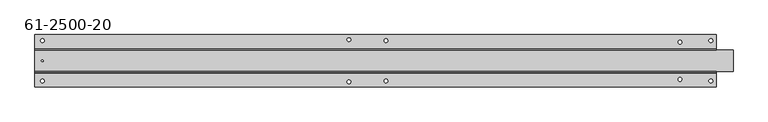
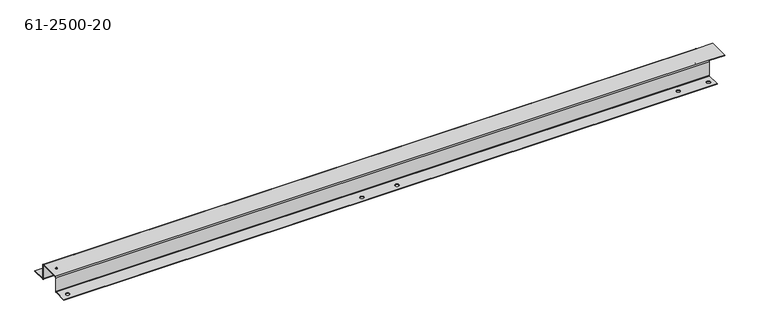
"""IFC4 building model written with IfcOpenShell, lengths in millimetres: proxy geometry, 61-2500-20."""

from ifc_helpers import new_model, si_unit, frame, origin, place, context, project, spatial, polyline, circle_curve, source, transform, mapped, element, save
from ifc_brep_helpers import plane_surface, cylinder_surface, revolved_surface, advanced_brep


def proxy_61_2500_20_4e382f12(model_context):
    return source(origin(), model_context, "Body", "AdvancedBrep", [
        advanced_brep(
        [(-21.8719315, 22.6584014, 27.94), (-21.8719315, 22.6584014, 28.79344), (-24.9199315, 22.6584014, 28.79344), (-24.9199315, 22.6584014, 27.94), (-20.2209315, 57.2836814, 0.0), (-20.2209315, 57.2836814, 0.85344), (-26.5709315, 57.2836814, 0.85344), (-26.5709315, 57.2836814, 0.0), (503.8826685, 58.8584814, 0.0), (503.8826685, 58.8584814, 0.85344), (497.5326685, 58.8584814, 0.85344), (497.5326685, 58.8584814, 0.0), (567.1540685, 57.2836814, 0.0), (567.1540685, 57.2836814, 0.85344), (560.8040685, 57.2836814, 0.85344), (560.8040685, 57.2836814, 0.0), (1070.0740685, 54.6420814, 0.0), (1070.0740685, 54.6420814, 0.85344), (1063.7240685, 54.6420814, 0.85344), (1063.7240685, 54.6420814, 0.0), (1122.7790685, 57.2836814, 0.0), (1122.7790685, 57.2836814, 0.85344), (1116.4290685, 57.2836814, 0.85344), (1116.4290685, 57.2836814, 0.0), (-20.2209315, -11.9668786, 0.0), (-20.2209315, -11.9668786, 0.85344), (-26.5709315, -11.9668786, 0.85344), (-26.5709315, -11.9668786, 0.0), (503.8826685, -13.5416786, 0.0), (503.8826685, -13.5416786, 0.85344), (497.5326685, -13.5416786, 0.85344), (497.5326685, -13.5416786, 0.0), (567.1540685, -11.9668786, 0.0), (567.1540685, -11.9668786, 0.85344), (560.8040685, -11.9668786, 0.85344), (560.8040685, -11.9668786, 0.0), (1070.0740685, -9.3252786, 0.0), (1070.0740685, -9.3252786, 0.85344), (1063.7240685, -9.3252786, 0.85344), (1063.7240685, -9.3252786, 0.0), (1122.7790685, -11.9668786, 0.0), (1122.7790685, -11.9668786, 0.85344), (1116.4290685, -11.9668786, 0.85344), (1116.4290685, -11.9668786, 0.0), (1157.7040685, 4.2535614, 27.94), (1157.7040685, 4.2535614, 28.79344), (1129.1290685, 4.2535614, 28.79344), (1129.1290685, 4.2535614, 27.94), (1157.7040685, 41.0632414, 28.79344), (1157.7040685, 41.0632414, 27.94), (1129.1290685, 41.0632414, 27.94), (1129.1290685, 41.0632414, 28.79344), (-36.0959315, 43.6235614, 0.0), (1129.1290685, 43.6235614, 0.0), (1129.1290685, 41.9166814, 1.70688), (-36.0959315, 41.9166814, 1.70688), (-36.0959315, 43.6235614, 0.85344), (-36.0959315, 67.3166814, 0.85344), (-36.0959315, 67.3166814, 0.0), (1129.1290685, 43.6235614, 0.85344), (1129.1290685, 67.3166814, 0.85344), (1129.1290685, 42.7701214, 1.70688), (-36.0959315, 42.7701214, 1.70688), (1129.1290685, 67.3166814, 0.0), (-36.0959315, 41.9166814, 27.08656), (-36.0959315, 42.7701214, 27.08656), (1129.1290685, 41.9166814, 27.08656), (1129.1290685, 42.7701214, 27.08656), (-36.0959315, 41.0632414, 28.79344), (-36.0959315, 41.0632414, 27.94), (-36.0959315, 4.2535614, 27.94), (-36.0959315, 4.2535614, 28.79344), (-36.0959315, 2.5466814, 27.08656), (1129.1290685, 2.5466814, 27.08656), (-36.0959315, 3.4001214, 27.08656), (1129.1290685, 3.4001214, 27.08656), (1129.1290685, 2.5466814, 1.70688), (1129.1290685, 3.4001214, 1.70688), (-36.0959315, 2.5466814, 1.70688), (-36.0959315, 3.4001214, 1.70688), (1129.1290685, 1.6932414, 0.0), (-36.0959315, 1.6932414, 0.0), (1129.1290685, 1.6932414, 0.85344), (-36.0959315, 1.6932414, 0.85344), (-36.0959315, -21.9998786, 0.0), (-36.0959315, -21.9998786, 0.85344), (1129.1290685, -21.9998786, 0.0), (1129.1290685, -21.9998786, 0.85344)],
        [
            (0, 1),
            (1, 2, circle_curve(frame((-23.3959315, 22.6584014, 28.79344), z_axis=(0.0, 0.0, 1.0), x_axis=(1.0, 0.0, 0.0)), 1.524)),
            (2, 3),
            (3, 0, circle_curve(frame((-23.3959315, 22.6584014, 27.94), z_axis=(0.0, 0.0, -1.0), x_axis=(1.0, 0.0, 0.0)), 1.524)),
            (4, 5),
            (5, 6, circle_curve(frame((-23.3959315, 57.2836814, 0.85344), z_axis=(0.0, 0.0, 1.0), x_axis=(1.0, 0.0, 0.0)), 3.175)),
            (6, 7),
            (7, 4, circle_curve(frame((-23.3959315, 57.2836814, 0.0), z_axis=(0.0, 0.0, -1.0), x_axis=(1.0, 0.0, 0.0)), 3.175)),
            (8, 9),
            (9, 10, circle_curve(frame((500.7076685, 58.8584814, 0.85344), z_axis=(0.0, 0.0, 1.0), x_axis=(1.0, 0.0, 0.0)), 3.175)),
            (10, 11),
            (11, 8, circle_curve(frame((500.7076685, 58.8584814, 0.0), z_axis=(0.0, 0.0, -1.0), x_axis=(1.0, 0.0, 0.0)), 3.175)),
            (12, 13),
            (13, 14, circle_curve(frame((563.9790685, 57.2836814, 0.85344), z_axis=(0.0, 0.0, 1.0), x_axis=(1.0, 0.0, 0.0)), 3.175)),
            (14, 15),
            (15, 12, circle_curve(frame((563.9790685, 57.2836814, 0.0), z_axis=(0.0, 0.0, -1.0), x_axis=(1.0, 0.0, 0.0)), 3.175)),
            (16, 17),
            (17, 18, circle_curve(frame((1066.8990685, 54.6420814, 0.85344), z_axis=(0.0, 0.0, 1.0), x_axis=(1.0, 0.0, 0.0)), 3.175)),
            (18, 19),
            (19, 16, circle_curve(frame((1066.8990685, 54.6420814, 0.0), z_axis=(0.0, 0.0, -1.0), x_axis=(1.0, 0.0, 0.0)), 3.175)),
            (20, 21),
            (21, 22, circle_curve(frame((1119.6040685, 57.2836814, 0.85344), z_axis=(0.0, 0.0, 1.0), x_axis=(1.0, 0.0, 0.0)), 3.175)),
            (22, 23),
            (23, 20, circle_curve(frame((1119.6040685, 57.2836814, 0.0), z_axis=(0.0, 0.0, -1.0), x_axis=(1.0, 0.0, 0.0)), 3.175)),
            (24, 25),
            (25, 26, circle_curve(frame((-23.3959315, -11.9668786, 0.85344), z_axis=(0.0, 0.0, 1.0), x_axis=(1.0, 0.0, 0.0)), 3.175)),
            (26, 27),
            (27, 24, circle_curve(frame((-23.3959315, -11.9668786, 0.0), z_axis=(0.0, 0.0, -1.0), x_axis=(1.0, 0.0, 0.0)), 3.175)),
            (28, 29),
            (29, 30, circle_curve(frame((500.7076685, -13.5416786, 0.85344), z_axis=(0.0, 0.0, 1.0), x_axis=(1.0, 0.0, 0.0)), 3.175)),
            (30, 31),
            (31, 28, circle_curve(frame((500.7076685, -13.5416786, 0.0), z_axis=(0.0, 0.0, -1.0), x_axis=(1.0, 0.0, 0.0)), 3.175)),
            (32, 33),
            (33, 34, circle_curve(frame((563.9790685, -11.9668786, 0.85344), z_axis=(0.0, 0.0, 1.0), x_axis=(1.0, 0.0, 0.0)), 3.175)),
            (34, 35),
            (35, 32, circle_curve(frame((563.9790685, -11.9668786, 0.0), z_axis=(0.0, 0.0, -1.0), x_axis=(1.0, 0.0, 0.0)), 3.175)),
            (36, 37),
            (37, 38, circle_curve(frame((1066.8990685, -9.3252786, 0.85344), z_axis=(0.0, 0.0, 1.0), x_axis=(1.0, 0.0, 0.0)), 3.175)),
            (38, 39),
            (39, 36, circle_curve(frame((1066.8990685, -9.3252786, 0.0), z_axis=(0.0, 0.0, -1.0), x_axis=(1.0, 0.0, 0.0)), 3.175)),
            (40, 41),
            (41, 42, circle_curve(frame((1119.6040685, -11.9668786, 0.85344), z_axis=(0.0, 0.0, 1.0), x_axis=(1.0, 0.0, 0.0)), 3.175)),
            (42, 43),
            (43, 40, circle_curve(frame((1119.6040685, -11.9668786, 0.0), z_axis=(0.0, 0.0, -1.0), x_axis=(1.0, 0.0, 0.0)), 3.175)),
            (40, 43, circle_curve(frame((1119.6040685, -11.9668786, 0.0), z_axis=(0.0, 0.0, -1.0), x_axis=(1.0, 0.0, 0.0)), 3.175)),
            (42, 41, circle_curve(frame((1119.6040685, -11.9668786, 0.85344), z_axis=(0.0, 0.0, 1.0), x_axis=(1.0, 0.0, 0.0)), 3.175)),
            (36, 39, circle_curve(frame((1066.8990685, -9.3252786, 0.0), z_axis=(0.0, 0.0, -1.0), x_axis=(1.0, 0.0, 0.0)), 3.175)),
            (38, 37, circle_curve(frame((1066.8990685, -9.3252786, 0.85344), z_axis=(0.0, 0.0, 1.0), x_axis=(1.0, 0.0, 0.0)), 3.175)),
            (32, 35, circle_curve(frame((563.9790685, -11.9668786, 0.0), z_axis=(0.0, 0.0, -1.0), x_axis=(1.0, 0.0, 0.0)), 3.175)),
            (34, 33, circle_curve(frame((563.9790685, -11.9668786, 0.85344), z_axis=(0.0, 0.0, 1.0), x_axis=(1.0, 0.0, 0.0)), 3.175)),
            (28, 31, circle_curve(frame((500.7076685, -13.5416786, 0.0), z_axis=(0.0, 0.0, -1.0), x_axis=(1.0, 0.0, 0.0)), 3.175)),
            (30, 29, circle_curve(frame((500.7076685, -13.5416786, 0.85344), z_axis=(0.0, 0.0, 1.0), x_axis=(1.0, 0.0, 0.0)), 3.175)),
            (24, 27, circle_curve(frame((-23.3959315, -11.9668786, 0.0), z_axis=(0.0, 0.0, -1.0), x_axis=(1.0, 0.0, 0.0)), 3.175)),
            (26, 25, circle_curve(frame((-23.3959315, -11.9668786, 0.85344), z_axis=(0.0, 0.0, 1.0), x_axis=(1.0, 0.0, 0.0)), 3.175)),
            (20, 23, circle_curve(frame((1119.6040685, 57.2836814, 0.0), z_axis=(0.0, 0.0, -1.0), x_axis=(1.0, 0.0, 0.0)), 3.175)),
            (22, 21, circle_curve(frame((1119.6040685, 57.2836814, 0.85344), z_axis=(0.0, 0.0, 1.0), x_axis=(1.0, 0.0, 0.0)), 3.175)),
            (16, 19, circle_curve(frame((1066.8990685, 54.6420814, 0.0), z_axis=(0.0, 0.0, -1.0), x_axis=(1.0, 0.0, 0.0)), 3.175)),
            (18, 17, circle_curve(frame((1066.8990685, 54.6420814, 0.85344), z_axis=(0.0, 0.0, 1.0), x_axis=(1.0, 0.0, 0.0)), 3.175)),
            (12, 15, circle_curve(frame((563.9790685, 57.2836814, 0.0), z_axis=(0.0, 0.0, -1.0), x_axis=(1.0, 0.0, 0.0)), 3.175)),
            (14, 13, circle_curve(frame((563.9790685, 57.2836814, 0.85344), z_axis=(0.0, 0.0, 1.0), x_axis=(1.0, 0.0, 0.0)), 3.175)),
            (8, 11, circle_curve(frame((500.7076685, 58.8584814, 0.0), z_axis=(0.0, 0.0, -1.0), x_axis=(1.0, 0.0, 0.0)), 3.175)),
            (10, 9, circle_curve(frame((500.7076685, 58.8584814, 0.85344), z_axis=(0.0, 0.0, 1.0), x_axis=(1.0, 0.0, 0.0)), 3.175)),
            (4, 7, circle_curve(frame((-23.3959315, 57.2836814, 0.0), z_axis=(0.0, 0.0, -1.0), x_axis=(1.0, 0.0, 0.0)), 3.175)),
            (6, 5, circle_curve(frame((-23.3959315, 57.2836814, 0.85344), z_axis=(0.0, 0.0, 1.0), x_axis=(1.0, 0.0, 0.0)), 3.175)),
            (0, 3, circle_curve(frame((-23.3959315, 22.6584014, 27.94), z_axis=(0.0, 0.0, -1.0), x_axis=(1.0, 0.0, 0.0)), 1.524)),
            (2, 1, circle_curve(frame((-23.3959315, 22.6584014, 28.79344), z_axis=(0.0, 0.0, 1.0), x_axis=(1.0, 0.0, 0.0)), 1.524)),
            (44, 45),
            (45, 46),
            (46, 47),
            (47, 44),
            (48, 49),
            (49, 50),
            (50, 51),
            (51, 48),
            (44, 49),
            (48, 45),
            (52, 53),
            (53, 54, circle_curve(frame((1129.1290685, 43.6235614, 1.70688), z_axis=(-1.0, 0.0, 0.0), x_axis=(0.0, -1.0, 0.0)), 1.70688)),
            (54, 55),
            (55, 52, circle_curve(frame((-36.0959315, 43.6235614, 1.70688), z_axis=(1.0, 0.0, 0.0), x_axis=(0.0, -1.0, 0.0)), 1.70688)),
            (52, 56),
            (56, 57),
            (57, 58),
            (58, 52),
            (56, 59),
            (59, 60),
            (60, 57),
            (53, 59),
            (59, 61, circle_curve(frame((1129.1290685, 43.6235614, 1.70688), z_axis=(-1.0, 0.0, 0.0), x_axis=(0.0, -1.0, 0.0)), 0.85344)),
            (61, 54),
            (55, 62),
            (62, 56, circle_curve(frame((-36.0959315, 43.6235614, 1.70688), z_axis=(1.0, 0.0, 0.0), x_axis=(0.0, -1.0, 0.0)), 0.85344)),
            (53, 63),
            (63, 60),
            (63, 58),
            (62, 61),
            (55, 64),
            (64, 65),
            (65, 62),
            (54, 66),
            (66, 64),
            (67, 65),
            (65, 68, circle_curve(frame((-36.0959315, 41.0632414, 27.08656), z_axis=(1.0, 0.0, 0.0), x_axis=(0.0, 0.0, 1.0)), 1.70688)),
            (68, 51),
            (51, 67, circle_curve(frame((1129.1290685, 41.0632414, 27.08656), z_axis=(-1.0, 0.0, 0.0), x_axis=(0.0, 0.0, 1.0)), 1.70688)),
            (61, 67),
            (67, 66),
            (64, 69, circle_curve(frame((-36.0959315, 41.0632414, 27.08656), z_axis=(1.0, 0.0, 0.0), x_axis=(0.0, 0.0, 1.0)), 0.85344)),
            (69, 68),
            (50, 66, circle_curve(frame((1129.1290685, 41.0632414, 27.08656), z_axis=(-1.0, 0.0, 0.0), x_axis=(0.0, 0.0, 1.0)), 0.85344)),
            (50, 69),
            (69, 70),
            (70, 71),
            (71, 68),
            (47, 70),
            (46, 71),
            (71, 72, circle_curve(frame((-36.0959315, 4.2535614, 27.08656), z_axis=(1.0, 0.0, 0.0), x_axis=(0.0, -1.0, 0.0)), 1.70688)),
            (72, 73),
            (73, 46, circle_curve(frame((1129.1290685, 4.2535614, 27.08656), z_axis=(-1.0, 0.0, 0.0), x_axis=(0.0, -1.0, 0.0)), 1.70688)),
            (70, 74, circle_curve(frame((-36.0959315, 4.2535614, 27.08656), z_axis=(1.0, 0.0, 0.0), x_axis=(0.0, -1.0, 0.0)), 0.85344)),
            (74, 72),
            (73, 75),
            (75, 47, circle_curve(frame((1129.1290685, 4.2535614, 27.08656), z_axis=(-1.0, 0.0, 0.0), x_axis=(0.0, -1.0, 0.0)), 0.85344)),
            (75, 74),
            (73, 76),
            (76, 77),
            (77, 75),
            (72, 78),
            (78, 76),
            (79, 77),
            (77, 80, circle_curve(frame((1129.1290685, 1.6932414, 1.70688), z_axis=(-1.0, 0.0, 0.0), x_axis=(0.0, 0.0, -1.0)), 1.70688)),
            (80, 81),
            (81, 79, circle_curve(frame((-36.0959315, 1.6932414, 1.70688), z_axis=(1.0, 0.0, 0.0), x_axis=(0.0, 0.0, -1.0)), 1.70688)),
            (74, 79),
            (79, 78),
            (76, 82, circle_curve(frame((1129.1290685, 1.6932414, 1.70688), z_axis=(-1.0, 0.0, 0.0), x_axis=(0.0, 0.0, -1.0)), 0.85344)),
            (82, 80),
            (81, 83),
            (83, 78, circle_curve(frame((-36.0959315, 1.6932414, 1.70688), z_axis=(1.0, 0.0, 0.0), x_axis=(0.0, 0.0, -1.0)), 0.85344)),
            (83, 82),
            (81, 84),
            (84, 85),
            (85, 83),
            (80, 86),
            (86, 84),
            (82, 87),
            (87, 86),
            (87, 85),
        ],
        [
            revolved_surface(polyline([(-21.8719315, 22.6584014, 28.79344), (-21.8719315, 22.6584014, 27.94)]), (-23.3959315, 22.6584014, 28.36672), (0.0, 0.0, 1.0)),
            revolved_surface(polyline([(-20.2209315, 57.2836814, 0.85344), (-20.2209315, 57.2836814, 0.0)]), (-23.3959315, 57.2836814, 0.42672), (0.0, 0.0, 1.0)),
            revolved_surface(polyline([(503.8826685, 58.8584814, 0.85344), (503.8826685, 58.8584814, 0.0)]), (500.7076685, 58.8584814, 0.42672), (0.0, 0.0, 1.0)),
            revolved_surface(polyline([(567.1540685, 57.2836814, 0.85344), (567.1540685, 57.2836814, 0.0)]), (563.9790685, 57.2836814, 0.42672), (0.0, 0.0, 1.0)),
            revolved_surface(polyline([(1070.0740685, 54.6420814, 0.85344), (1070.0740685, 54.6420814, 0.0)]), (1066.8990685, 54.6420814, 0.42672), (0.0, 0.0, 1.0)),
            revolved_surface(polyline([(1122.7790685, 57.2836814, 0.85344), (1122.7790685, 57.2836814, 0.0)]), (1119.6040685, 57.2836814, 0.42672), (0.0, 0.0, 1.0)),
            revolved_surface(polyline([(-20.2209315, -11.9668786, 0.85344), (-20.2209315, -11.9668786, 0.0)]), (-23.3959315, -11.9668786, 0.42672), (0.0, 0.0, 1.0)),
            revolved_surface(polyline([(503.8826685, -13.5416786, 0.85344), (503.8826685, -13.5416786, 0.0)]), (500.7076685, -13.5416786, 0.42672), (0.0, 0.0, 1.0)),
            revolved_surface(polyline([(567.1540685, -11.9668786, 0.85344), (567.1540685, -11.9668786, 0.0)]), (563.9790685, -11.9668786, 0.42672), (0.0, 0.0, 1.0)),
            revolved_surface(polyline([(1070.0740685, -9.3252786, 0.85344), (1070.0740685, -9.3252786, 0.0)]), (1066.8990685, -9.3252786, 0.42672), (0.0, 0.0, 1.0)),
            revolved_surface(polyline([(1122.7790685, -11.9668786, 0.85344), (1122.7790685, -11.9668786, 0.0)]), (1119.6040685, -11.9668786, 0.42672), (0.0, 0.0, 1.0)),
            plane_surface(frame((1129.1290685, 4.2535614, 27.94), z_axis=(0.0, -1.0, 0.0), x_axis=(0.0, 0.0, -1.0))),
            plane_surface(frame((1129.1290685, 41.0632414, 28.79344), z_axis=(0.0, 1.0, 0.0), x_axis=(0.0, 0.0, 1.0))),
            plane_surface(frame((1157.7040685, 22.6584014, 28.36672), z_axis=(1.0, 0.0, 0.0), x_axis=(0.0, 0.0, -1.0))),
            cylinder_surface(frame((546.5165685, 43.6235614, 1.70688), z_axis=(1.0, 0.0, 0.0), x_axis=(0.0, -1.0, 0.0)), 1.70688),
            plane_surface(frame((-36.0959315, 43.6235614, 0.85344), z_axis=(-1.0, 0.0, 0.0), x_axis=(0.0, -1.0, 0.0))),
            plane_surface(frame((546.5165685, 54.5049035, 0.85344), z_axis=(0.0, 0.0, 1.0), x_axis=(0.0, -1.0, 0.0))),
            plane_surface(frame((1129.1290685, 43.6235614, 0.85344), z_axis=(1.0, 0.0, 0.0), x_axis=(0.0, 0.0, -1.0))),
            plane_surface(frame((-36.0959315, 43.6235614, 0.0), z_axis=(-1.0, 0.0, 0.0), x_axis=(0.0, 0.0, 1.0))),
            plane_surface(frame((1129.1290685, 43.6235614, 0.85344), z_axis=(1.0, 0.0, 0.0), x_axis=(0.0, 1.0, 0.0))),
            plane_surface(frame((1129.1290685, 67.3166814, 0.85344), z_axis=(0.0, 1.0, 0.0), x_axis=(-1.0, 0.0, 0.0))),
            plane_surface(frame((546.5165685, 54.5049035, 0.0), z_axis=(0.0, 0.0, -1.0), x_axis=(0.0, -1.0, 0.0))),
            revolved_surface(polyline([(1129.1290685, 42.7701214, 1.70688), (-36.095931500000006, 42.7701214, 1.70688)]), (546.5165685, 43.6235614, 1.70688), (1.0, 0.0, 0.0)),
            plane_surface(frame((-36.0959315, 41.9166814, 27.08656), z_axis=(-1.0, 0.0, 0.0), x_axis=(0.0, 1.0, 0.0))),
            plane_surface(frame((546.5165685, 41.9166814, 14.9352179), z_axis=(0.0, -1.0, 0.0), x_axis=(1.0, 0.0, 0.0))),
            cylinder_surface(frame((546.5165685, 41.0632414, 27.08656), z_axis=(-1.0, 0.0, 0.0), x_axis=(0.0, 0.0, 1.0)), 1.70688),
            plane_surface(frame((1129.1290685, 41.9166814, 27.08656), z_axis=(1.0, 0.0, 0.0), x_axis=(0.0, -1.0, 0.0))),
            plane_surface(frame((-36.0959315, 41.9166814, 27.08656), z_axis=(-1.0, 0.0, 0.0), x_axis=(0.0, 0.0, 1.0))),
            plane_surface(frame((1129.1290685, 42.7701214, 27.08656), z_axis=(1.0, 0.0, 0.0), x_axis=(0.0, 0.0, -1.0))),
            plane_surface(frame((546.5165685, 42.7701214, 14.9352179), z_axis=(0.0, 1.0, 0.0), x_axis=(1.0, 0.0, 0.0))),
            revolved_surface(polyline([(-36.095931500000006, 41.0632414, 27.939999999999998), (1129.1290685, 41.0632414, 27.939999999999998)]), (546.5165685, 41.0632414, 27.08656), (-1.0, 0.0, 0.0)),
            plane_surface(frame((-36.0959315, 4.2535614, 27.94), z_axis=(-1.0, 0.0, 0.0), x_axis=(0.0, 1.0, 0.0))),
            plane_surface(frame((546.5165685, 22.1199035, 27.94), z_axis=(0.0, 0.0, -1.0), x_axis=(0.0, 1.0, 0.0))),
            cylinder_surface(frame((546.5165685, 4.2535614, 27.08656), z_axis=(-1.0, 0.0, 0.0), x_axis=(0.0, -1.0, 0.0)), 1.70688),
            plane_surface(frame((-36.0959315, 4.2535614, 27.94), z_axis=(-1.0, 0.0, 0.0), x_axis=(0.0, 0.0, 1.0))),
            plane_surface(frame((1129.1290685, 4.2535614, 28.79344), z_axis=(1.0, 0.0, 0.0), x_axis=(0.0, 0.0, -1.0))),
            plane_surface(frame((546.5165685, 22.1199035, 28.79344), z_axis=(0.0, 0.0, 1.0), x_axis=(0.0, 1.0, 0.0))),
            revolved_surface(polyline([(-36.095931500000006, 3.4001213999999997, 27.08656), (1129.1290685, 3.4001213999999997, 27.08656)]), (546.5165685, 4.2535614, 27.08656), (-1.0, 0.0, 0.0)),
            plane_surface(frame((1129.1290685, 2.5466814, 1.70688), z_axis=(1.0, 0.0, 0.0), x_axis=(0.0, 1.0, 0.0))),
            plane_surface(frame((546.5165685, 2.5466814, 13.8582221), z_axis=(0.0, -1.0, 0.0), x_axis=(1.0, 0.0, 0.0))),
            cylinder_surface(frame((546.5165685, 1.6932414, 1.70688), z_axis=(1.0, 0.0, 0.0), x_axis=(0.0, 0.0, -1.0)), 1.70688),
            plane_surface(frame((-36.0959315, 2.5466814, 1.70688), z_axis=(-1.0, 0.0, 0.0), x_axis=(0.0, -1.0, 0.0))),
            plane_surface(frame((1129.1290685, 2.5466814, 1.70688), z_axis=(1.0, 0.0, 0.0), x_axis=(0.0, 0.0, -1.0))),
            plane_surface(frame((-36.0959315, 3.4001214, 1.70688), z_axis=(-1.0, 0.0, 0.0), x_axis=(0.0, 0.0, 1.0))),
            plane_surface(frame((546.5165685, 3.4001214, 13.8582221), z_axis=(0.0, 1.0, 0.0), x_axis=(1.0, 0.0, 0.0))),
            revolved_surface(polyline([(1129.1290685, 1.6932414, 0.85344), (-36.095931500000006, 1.6932414, 0.85344)]), (546.5165685, 1.6932414, 1.70688), (1.0, 0.0, 0.0)),
            plane_surface(frame((-36.0959315, -21.9998786, 0.0), z_axis=(-1.0, 0.0, 0.0), x_axis=(0.0, 0.0, 1.0))),
            plane_surface(frame((546.5165685, -9.2998786, 0.0), z_axis=(0.0, 0.0, -1.0), x_axis=(1.0, 0.0, 0.0))),
            plane_surface(frame((1129.1290685, 3.4001214, 0.0), z_axis=(1.0, 0.0, 0.0), x_axis=(0.0, 0.0, -1.0))),
            plane_surface(frame((1129.1290685, -21.9998786, 0.0), z_axis=(0.0, -1.0, 0.0), x_axis=(0.0, 0.0, -1.0))),
            plane_surface(frame((546.5165685, -9.2998786, 0.85344), z_axis=(0.0, 0.0, 1.0), x_axis=(1.0, 0.0, 0.0))),
        ],
        [
            (0, [[1, 2, 3, 4]]),
            (1, [[5, 6, 7, 8]]),
            (2, [[9, 10, 11, 12]]),
            (3, [[13, 14, 15, 16]]),
            (4, [[17, 18, 19, 20]]),
            (5, [[21, 22, 23, 24]]),
            (6, [[25, 26, 27, 28]]),
            (7, [[29, 30, 31, 32]]),
            (8, [[33, 34, 35, 36]]),
            (9, [[37, 38, 39, 40]]),
            (10, [[41, 42, 43, 44]]),
            (10, [[-41, 45, -43, 46]]),
            (9, [[-37, 47, -39, 48]]),
            (8, [[-33, 49, -35, 50]]),
            (7, [[-29, 51, -31, 52]]),
            (6, [[-25, 53, -27, 54]]),
            (5, [[-21, 55, -23, 56]]),
            (4, [[-17, 57, -19, 58]]),
            (3, [[-13, 59, -15, 60]]),
            (2, [[-9, 61, -11, 62]]),
            (1, [[-5, 63, -7, 64]]),
            (0, [[-1, 65, -3, 66]]),
            (11, [[67, 68, 69, 70]]),
            (12, [[71, 72, 73, 74]]),
            (13, [[75, -71, 76, -67]]),
            (14, [[77, 78, 79, 80]]),
            (15, [[81, 82, 83, 84]]),
            (16, [[85, 86, 87, -82], [-56, -22], [-58, -18], [-60, -14], [-62, -10], [-64, -6]]),
            (17, [[88, 89, 90, -78]]),
            (18, [[-81, -80, 91, 92]]),
            (19, [[-88, 93, 94, -86]]),
            (20, [[95, -83, -87, -94]]),
            (21, [[-77, -84, -95, -93], [-8, -63], [-12, -61], [-16, -59], [-20, -57], [-24, -55]]),
            (22, [[-85, -92, 96, -89]]),
            (23, [[-91, 97, 98, 99]]),
            (24, [[-79, 100, 101, -97]]),
            (25, [[102, 103, 104, 105]]),
            (26, [[-90, 106, 107, -100]]),
            (27, [[-98, 108, 109, -103]]),
            (28, [[-107, -105, -73, 110]]),
            (29, [[-96, -99, -102, -106]]),
            (30, [[-101, -110, 111, -108]]),
            (31, [[-109, 112, 113, 114]]),
            (32, [[-111, -72, -75, -70, 115, -112], [-4, -65]]),
            (33, [[116, 117, 118, 119]]),
            (34, [[-113, 120, 121, -117]]),
            (35, [[-69, -119, 122, 123]]),
            (36, [[-104, -114, -116, -68, -76, -74], [-66, -2]]),
            (37, [[-115, -123, 124, -120]]),
            (38, [[-122, 125, 126, 127]]),
            (39, [[-118, 128, 129, -125]]),
            (40, [[130, 131, 132, 133]]),
            (41, [[-121, 134, 135, -128]]),
            (42, [[-126, 136, 137, -131]]),
            (43, [[-135, -133, 138, 139]]),
            (44, [[-124, -127, -130, -134]]),
            (45, [[-129, -139, 140, -136]]),
            (46, [[-138, 141, 142, 143]]),
            (47, [[-132, 144, 145, -141], [-28, -53], [-32, -51], [-36, -49], [-40, -47], [-44, -45]]),
            (48, [[-137, 146, 147, -144]]),
            (49, [[148, -142, -145, -147]]),
            (50, [[-140, -143, -148, -146], [-46, -42], [-48, -38], [-50, -34], [-52, -30], [-54, -26]]),
        ],
    ),
    ])


if __name__ == "__main__":
    model = new_model("IFC4")
    model_context = context("Model", 3, world=origin())
    ifc_project = project(units=[si_unit("LENGTHUNIT", "METRE", prefix="MILLI")], contexts=[model_context])
    site = spatial("IfcSite", under=ifc_project)
    building = spatial("IfcBuilding", under=site)
    placement = place(None, origin())
    proxy_61_2500_20_shape = proxy_61_2500_20_4e382f12(model_context)
    element("IfcBuildingElementProxy", 1, Name="61-2500-20", ObjectType="61-2500-20", at=placement, inside=building, context=model_context, shape_type="MappedRepresentation", body=[
        mapped(proxy_61_2500_20_shape, transform((0.0, 0.0, 0.0), x_axis=(1.0, 0.0, 0.0), y_axis=(0.0, 1.0, 0.0), z_axis=(0.0, 0.0, 1.0))),
    ])
    save(model, "model.ifc")
